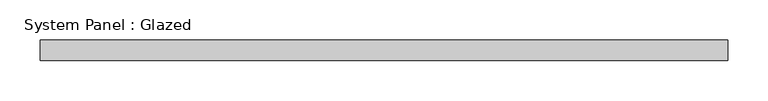
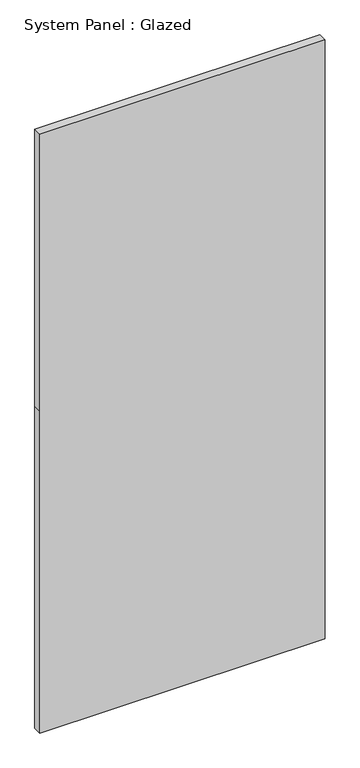
"""IFC4 building model written with IfcOpenShell, lengths in millimetres: plate geometry, System Panel : Glazed."""

from ifc_helpers import new_model, si_unit, frame, origin, place, context, project, spatial, polyline, outline, extrude, source, transform, mapped, element, save


def system_panel_glazed_64a13f64(model_context):
    return source(origin(), model_context, "Body", "SweptSolid", [
        extrude(outline(polyline([(0.0, -425.0), (0.0, 425.0), (1013.3333333, 425.0), (1885.0, 425.0), (1885.0, -425.0), (1013.3333333, -425.0), (0.0, -425.0)])), frame((0.0, -49.5, 0.0), z_axis=(0.0, 1.0, 0.0), x_axis=(0.0, 0.0, 1.0)), (0.0, 0.0, 1.0), 25.0),
    ])


if __name__ == "__main__":
    model = new_model("IFC4")
    model_context = context("Model", 3, world=origin())
    ifc_project = project(units=[si_unit("LENGTHUNIT", "METRE", prefix="MILLI")], contexts=[model_context])
    site = spatial("IfcSite", under=ifc_project)
    building = spatial("IfcBuilding", under=site)
    placement = place(None, origin())
    system_panel_glazed_shape = system_panel_glazed_64a13f64(model_context)
    element("IfcPlate", 1, ObjectType="System Panel : Glazed", at=placement, inside=building, context=model_context, shape_type="MappedRepresentation", body=[
        mapped(system_panel_glazed_shape, transform((0.0, 0.0, 0.0), x_axis=(1.0, 0.0, 0.0), y_axis=(0.0, 1.0, 0.0), z_axis=(0.0, 0.0, 1.0))),
    ])
    save(model, "model.ifc")
